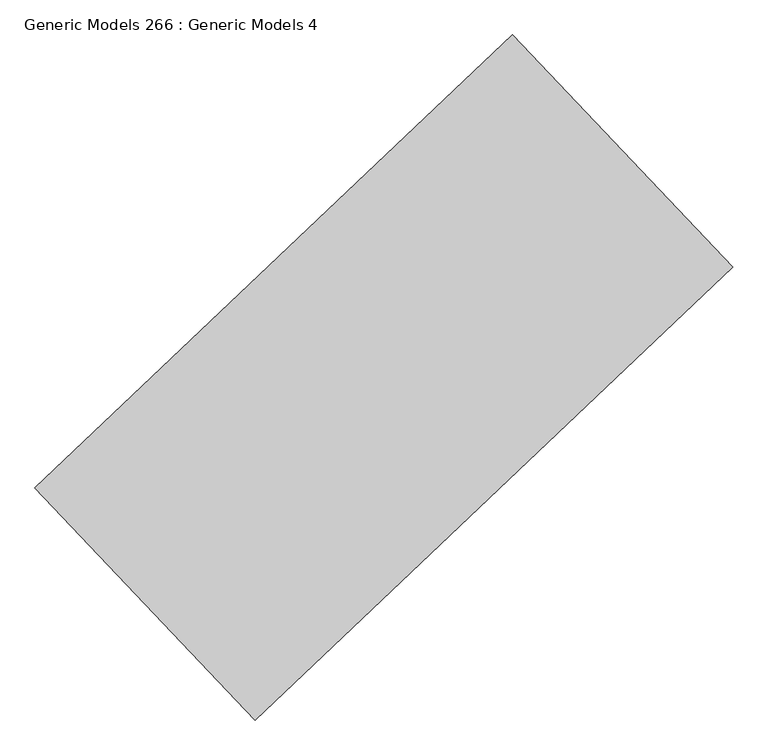
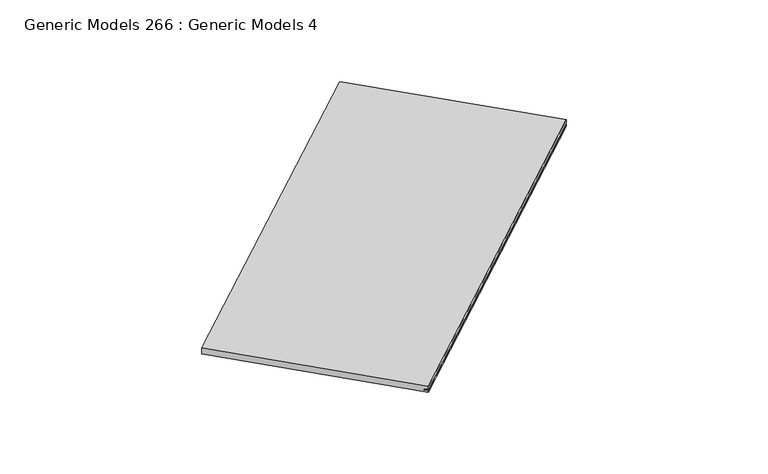
"""IFC4 building model written with IfcOpenShell, lengths in millimetres: proxy geometry, Generic Models 266 : Generic Models 4."""

from ifc_helpers import new_model, si_unit, frame, origin, place, context, project, spatial, polyline, outline, extrude, source, transform, mapped, element, save


def generic_models_266_generic_models_4_17051200(model_context):
    return source(origin(), model_context, "Body", "SweptSolid", [
        extrude(outline(polyline([(19.05, 0.0), (19.05, -609.6), (0.0, -609.6), (0.0, 0.0), (6.35, 0.0), (6.35, -12.7), (9.525, -12.7), (9.525, 0.0), (19.05, 0.0)])), frame((101815.6788652, 42737.9165323, 16508.0138389), z_axis=(0.7253743710121912, 0.6883545756938556, 0.0), x_axis=(0.0, 0.0, 1.0)), (0.0, 0.0, 1.0), 1252.5375),
    ])


if __name__ == "__main__":
    model = new_model("IFC4")
    model_context = context("Model", 3, world=origin())
    ifc_project = project(units=[si_unit("LENGTHUNIT", "METRE", prefix="MILLI")], contexts=[model_context])
    site = spatial("IfcSite", under=ifc_project)
    building = spatial("IfcBuilding", under=site)
    placement = place(None, origin())
    generic_models_266_generic_models_4_shape = generic_models_266_generic_models_4_17051200(model_context)
    element("IfcBuildingElementProxy", 1, Name="Generic Models 266 : Generic Models 4", ObjectType="Generic Models 266 : Generic Models 4", at=placement, inside=building, context=model_context, shape_type="MappedRepresentation", body=[
        mapped(generic_models_266_generic_models_4_shape, transform((0.0, 0.0, 0.0), x_axis=(1.0, 0.0, 0.0), y_axis=(0.0, 1.0, 0.0), z_axis=(0.0, 0.0, 1.0))),
    ])
    save(model, "model.ifc")
